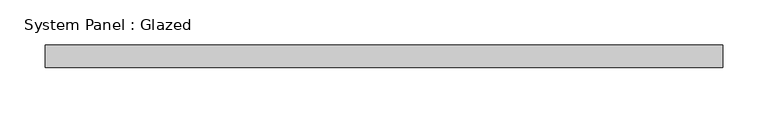
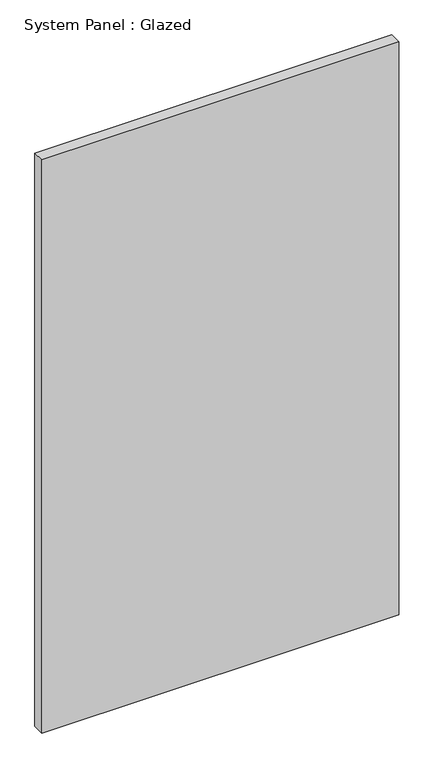
"""IFC4 building model written with IfcOpenShell, lengths in millimetres: plate geometry, System Panel : Glazed."""

from ifc_helpers import new_model, si_unit, origin, origin_with_axes, place, context, project, spatial, polyline, outline, extrude, source, transform, mapped, element, save


def system_panel_glazed_aacb791b(model_context):
    return source(origin(), model_context, "Body", "SweptSolid", [
        extrude(outline(polyline([(374.9999998, 24.5), (-374.9999998, 24.5), (-374.9999998, 49.5), (374.9999998, 49.5), (374.9999998, 24.5)])), origin_with_axes(), (0.0, 0.0, 1.0), 1273.0),
    ])


if __name__ == "__main__":
    model = new_model("IFC4")
    model_context = context("Model", 3, world=origin())
    ifc_project = project(units=[si_unit("LENGTHUNIT", "METRE", prefix="MILLI")], contexts=[model_context])
    site = spatial("IfcSite", under=ifc_project)
    building = spatial("IfcBuilding", under=site)
    placement = place(None, origin())
    system_panel_glazed_shape = system_panel_glazed_aacb791b(model_context)
    element("IfcPlate", 1, ObjectType="System Panel : Glazed", at=placement, inside=building, context=model_context, shape_type="MappedRepresentation", body=[
        mapped(system_panel_glazed_shape, transform((0.0, 0.0, 0.0), x_axis=(1.0, 0.0, 0.0), y_axis=(0.0, 1.0, 0.0), z_axis=(0.0, 0.0, 1.0))),
    ])
    save(model, "model.ifc")
